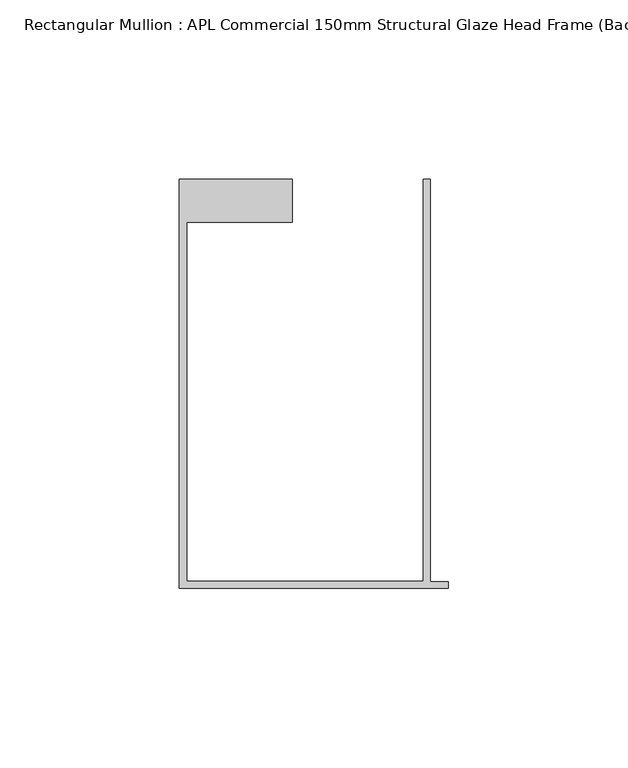
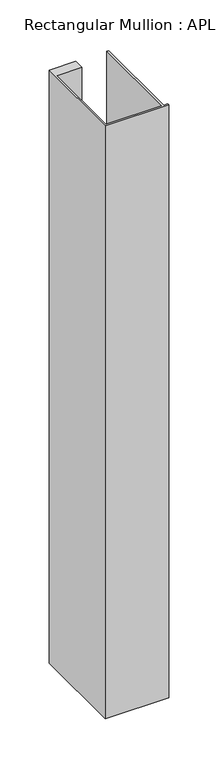
"""IFC4 building model written with IfcOpenShell, lengths in millimetres: member geometry, Rectangular Mullion : APL Commercial 150mm Structural Glaze Head Frame (Back)."""

from ifc_helpers import new_model, si_unit, frame, origin, place, context, project, spatial, polyline, outline, extrude, source, transform, mapped, element, save


def rectangular_mullion_apl_commercial_150mm_structural_glaze_b83fc68c(model_context):
    return source(origin(), model_context, "Body", "SweptSolid", [
        extrude(outline(polyline([(-75.0, -128.9993063), (-75.0, -14.9998342), (-43.5000151, -14.9998342), (-43.5000151, -26.9997514), (-73.0, -26.9997514), (-73.0, -126.9993063), (-7.0, -126.9993063), (-7.0, -14.9998342), (-5.0, -14.9998342), (-5.0, -127.1993063), (0.0, -127.1993063), (0.0, -128.9993063), (-75.0, -128.9993063)])), frame((0.0, 0.0, -737.4042121), z_axis=(0.0, 0.0, 1.0), x_axis=(1.0, 0.0, 0.0)), (0.0, 0.0, 1.0), 737.4042121),
    ])


if __name__ == "__main__":
    model = new_model("IFC4")
    model_context = context("Model", 3, world=origin())
    ifc_project = project(units=[si_unit("LENGTHUNIT", "METRE", prefix="MILLI")], contexts=[model_context])
    site = spatial("IfcSite", under=ifc_project)
    building = spatial("IfcBuilding", under=site)
    placement = place(None, origin())
    rectangular_mullion_apl_commercial_150mm_structural_glaze_shape = rectangular_mullion_apl_commercial_150mm_structural_glaze_b83fc68c(model_context)
    element("IfcMember", 1, ObjectType="Rectangular Mullion : APL Commercial 150mm Structural Glaze Head Frame (Back)", at=placement, inside=building, context=model_context, shape_type="MappedRepresentation", body=[
        mapped(rectangular_mullion_apl_commercial_150mm_structural_glaze_shape, transform((0.0, 0.0, 0.0), x_axis=(1.0, 0.0, 0.0), y_axis=(0.0, 1.0, 0.0), z_axis=(0.0, 0.0, 1.0))),
    ])
    save(model, "model.ifc")
